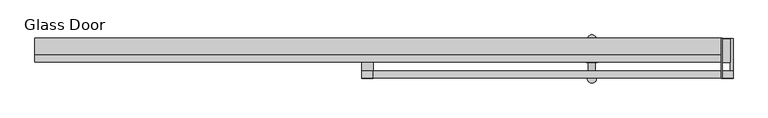
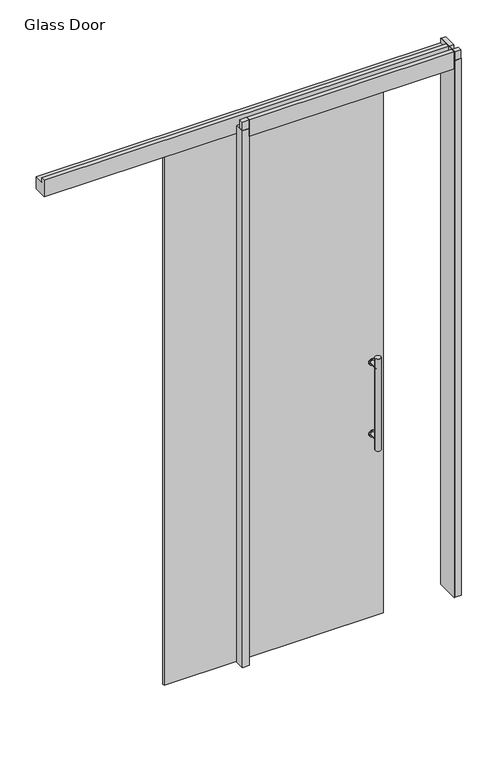
"""IFC4 building model written with IfcOpenShell, lengths in millimetres: plate geometry, Glass Door."""

from ifc_helpers import new_model, si_unit, point, frame, frame_2d, origin, origin_with_axes, place, context, project, spatial, polyline, circle_curve, trimmed, segment, composite_curve, outline, extrude, source, transform, mapped, element, save


def glass_door_ae0fdfda(model_context):
    return source(origin(), model_context, "Body", "SweptSolid", [
        extrude(outline(composite_curve([segment(trimmed(circle_curve(frame_2d((1267.7758628, 122.9502762)), 15.5007671), [point((1267.7758628, 107.449509))], [point((1267.7758628, 138.4510433))], False, "CARTESIAN"), True, "CONTINUOUS"), segment(trimmed(circle_curve(frame_2d((1267.7758628, 122.9502762)), 15.5007671), [point((1267.7758628, 138.4510433))], [point((1267.7758628, 107.449509))], False, "CARTESIAN"), True, "CONTINUOUS")], self_intersect=False)), frame((0.0, 11.6587122, 0.0), z_axis=(0.0, 1.0, 0.0), x_axis=(0.0, 0.0, 1.0)), (0.0, 0.0, 1.0), 3.556),
        extrude(outline(composite_curve([segment(trimmed(circle_curve(frame_2d((912.5206255, 122.9502762)), 15.5007671), [point((912.5206255, 107.449509))], [point((912.5206255, 138.4510433))], False, "CARTESIAN"), True, "CONTINUOUS"), segment(trimmed(circle_curve(frame_2d((912.5206255, 122.9502762)), 15.5007671), [point((912.5206255, 138.4510433))], [point((912.5206255, 107.449509))], False, "CARTESIAN"), True, "CONTINUOUS")], self_intersect=False)), frame((0.0, 11.6587122, 0.0), z_axis=(0.0, 1.0, 0.0), x_axis=(0.0, 0.0, 1.0)), (0.0, 0.0, 1.0), 3.556),
        extrude(outline(composite_curve([segment(trimmed(circle_curve(frame_2d((912.5206255, 122.9502762)), 9.4326721), [point((912.5206255, 113.5176041))], [point((912.5206255, 132.3829482))], False, "CARTESIAN"), True, "CONTINUOUS"), segment(trimmed(circle_curve(frame_2d((912.5206255, 122.9502762)), 9.4326721), [point((912.5206255, 132.3829482))], [point((912.5206255, 113.5176041))], False, "CARTESIAN"), True, "CONTINUOUS")], self_intersect=False)), frame((0.0, -32.7444259, 0.0), z_axis=(0.0, 1.0, 0.0), x_axis=(0.0, 0.0, 1.0)), (0.0, 0.0, 1.0), 44.4031381),
        extrude(outline(composite_curve([segment(trimmed(circle_curve(frame_2d((1267.7758628, 122.9502762)), 9.4326721), [point((1267.7758628, 113.5176041))], [point((1267.7758628, 132.3829482))], False, "CARTESIAN"), True, "CONTINUOUS"), segment(trimmed(circle_curve(frame_2d((1267.7758628, 122.9502762)), 9.4326721), [point((1267.7758628, 132.3829482))], [point((1267.7758628, 113.5176041))], False, "CARTESIAN"), True, "CONTINUOUS")], self_intersect=False)), frame((0.0, -32.7444259, 0.0), z_axis=(0.0, 1.0, 0.0), x_axis=(0.0, 0.0, 1.0)), (0.0, 0.0, 1.0), 44.4031381),
        extrude(outline(composite_curve([segment(trimmed(circle_curve(frame_2d((122.9502762, -32.7444259)), 12.7), [point((110.2502762, -32.7444259))], [point((135.6502762, -32.7444259))], False, "CARTESIAN"), True, "CONTINUOUS"), segment(trimmed(circle_curve(frame_2d((122.9502762, -32.7444259)), 12.7), [point((135.6502762, -32.7444259))], [point((110.2502762, -32.7444259))], False, "CARTESIAN"), True, "CONTINUOUS")], self_intersect=False)), frame((0.0, 0.0, 861.5482441), z_axis=(0.0, 0.0, 1.0), x_axis=(1.0, 0.0, 0.0)), (0.0, 0.0, 1.0), 457.2),
        extrude(outline(composite_curve([segment(trimmed(circle_curve(frame_2d((1267.7758628, 122.9502762)), 15.5007671), [point((1267.7758628, 107.449509))], [point((1267.7758628, 138.4510433))], False, "CARTESIAN"), True, "CONTINUOUS"), segment(trimmed(circle_curve(frame_2d((1267.7758628, 122.9502762)), 15.5007671), [point((1267.7758628, 138.4510433))], [point((1267.7758628, 107.449509))], False, "CARTESIAN"), True, "CONTINUOUS")], self_intersect=False)), frame((0.0, 27.9147122, 0.0), z_axis=(0.0, 1.0, 0.0), x_axis=(0.0, 0.0, 1.0)), (0.0, 0.0, 1.0), 3.556),
        extrude(outline(composite_curve([segment(trimmed(circle_curve(frame_2d((912.5206255, 122.9502762)), 15.5007671), [point((912.5206255, 107.449509))], [point((912.5206255, 138.4510433))], False, "CARTESIAN"), True, "CONTINUOUS"), segment(trimmed(circle_curve(frame_2d((912.5206255, 122.9502762)), 15.5007671), [point((912.5206255, 138.4510433))], [point((912.5206255, 107.449509))], False, "CARTESIAN"), True, "CONTINUOUS")], self_intersect=False)), frame((0.0, 27.9147122, 0.0), z_axis=(0.0, 1.0, 0.0), x_axis=(0.0, 0.0, 1.0)), (0.0, 0.0, 1.0), 3.556),
        extrude(outline(composite_curve([segment(trimmed(circle_curve(frame_2d((912.5206255, 122.9502762)), 9.4326721), [point((912.5206255, 113.5176041))], [point((912.5206255, 132.3829482))], False, "CARTESIAN"), True, "CONTINUOUS"), segment(trimmed(circle_curve(frame_2d((912.5206255, 122.9502762)), 9.4326721), [point((912.5206255, 132.3829482))], [point((912.5206255, 113.5176041))], False, "CARTESIAN"), True, "CONTINUOUS")], self_intersect=False)), frame((0.0, 31.4707122, 0.0), z_axis=(0.0, 1.0, 0.0), x_axis=(0.0, 0.0, 1.0)), (0.0, 0.0, 1.0), 44.4031381),
        extrude(outline(composite_curve([segment(trimmed(circle_curve(frame_2d((1267.7758628, 122.9502762)), 9.4326721), [point((1267.7758628, 113.5176041))], [point((1267.7758628, 132.3829482))], False, "CARTESIAN"), True, "CONTINUOUS"), segment(trimmed(circle_curve(frame_2d((1267.7758628, 122.9502762)), 9.4326721), [point((1267.7758628, 132.3829482))], [point((1267.7758628, 113.5176041))], False, "CARTESIAN"), True, "CONTINUOUS")], self_intersect=False)), frame((0.0, 31.4707122, 0.0), z_axis=(0.0, 1.0, 0.0), x_axis=(0.0, 0.0, 1.0)), (0.0, 0.0, 1.0), 44.4031381),
        extrude(outline(composite_curve([segment(trimmed(circle_curve(frame_2d((122.9502762, 75.8738503)), 12.7), [point((110.2502762, 75.8738503))], [point((135.6502762, 75.8738503))], False, "CARTESIAN"), True, "CONTINUOUS"), segment(trimmed(circle_curve(frame_2d((122.9502762, 75.8738503)), 12.7), [point((135.6502762, 75.8738503))], [point((110.2502762, 75.8738503))], False, "CARTESIAN"), True, "CONTINUOUS")], self_intersect=False)), frame((0.0, 0.0, 861.5482441), z_axis=(0.0, 0.0, 1.0), x_axis=(1.0, 0.0, 0.0)), (0.0, 0.0, 1.0), 457.2),
        extrude(outline(polyline([(481.3416694, -32.4102878), (481.3416694, 78.5748921), (483.3736694, 78.5748921), (483.3736694, -32.4102878), (481.3416694, -32.4102878)])), origin_with_axes(), (0.0, 0.0, 1.0), 2709.3182131),
        extrude(outline(polyline([(483.3736694, -31.9657855), (483.3736694, -11.7473709), (513.5806495, -11.7473709), (513.5806495, -31.9657855), (483.3736694, -31.9657855)])), frame((0.0, 0.0, 2665.984), z_axis=(0.0, 0.0, 1.0), x_axis=(1.0, 0.0, 0.0)), (0.0, 0.0, 1.0), 43.3342131),
        extrude(outline(polyline([(505.8336494, 11.7476378), (483.3736694, 11.7476378), (483.3736694, 76.5428917), (505.8336494, 76.5428917), (505.8336494, 11.7476378)])), frame((0.0, 0.0, 2665.984), z_axis=(0.0, 0.0, 1.0), x_axis=(1.0, 0.0, 0.0)), (0.0, 0.0, 1.0), 43.3342131),
        extrude(outline(polyline([(513.5806495, -32.4102878), (483.3736694, -32.4102878), (483.3736694, -30.3782748), (505.8336494, -30.3782748), (505.8336494, 76.5428917), (483.3736694, 76.5428917), (483.3736694, 78.5748921), (513.5806495, 78.5748921), (513.5806495, -32.4102878)])), origin_with_axes(), (0.0, 0.0, 1.0), 2665.984),
        extrude(outline(polyline([(-513.5806495, -32.4102878), (-513.5806495, 12.394152), (-481.3416694, 12.394152), (-481.3416694, -32.4102878), (-513.5806495, -32.4102878)])), origin_with_axes(), (0.0, 0.0, 1.0), 2665.984),
        extrude(outline(polyline([(481.3416694, -31.9657855), (-481.3416694, -31.9657855), (-481.3416694, -11.7473709), (481.3416694, -11.7473709), (481.3416694, -31.9657855)])), frame((0.0, 0.0, 2626.7682131), z_axis=(0.0, 0.0, 1.0), x_axis=(1.0, 0.0, 0.0)), (0.0, 0.0, 1.0), 82.55),
        extrude(outline(polyline([(-513.5806495, -31.9657855), (-513.5806495, -11.7473709), (-481.3416694, -11.7473709), (-481.3416694, -31.9657855), (-513.5806495, -31.9657855)])), frame((0.0, 0.0, 2665.984), z_axis=(0.0, 0.0, 1.0), x_axis=(1.0, 0.0, 0.0)), (0.0, 0.0, 1.0), 43.3342131),
        extrude(outline(polyline([(-665.875842, 36.1536677), (-665.875842, 27.9147122), (-717.0076995, 27.9147122), (-717.0076995, 36.1536677), (-665.875842, 36.1536677)])), frame((0.0, 0.0, 2581.9099031), z_axis=(0.0, 0.0, 1.0), x_axis=(1.0, 0.0, 0.0)), (0.0, 0.0, 1.0), 44.85831),
        extrude(outline(polyline([(65.0127702, 36.1536677), (65.0127702, 27.9147122), (14.2128187, 27.9147122), (14.2128187, 36.1536677), (65.0127702, 36.1536677)])), frame((0.0, 0.0, 2581.9099031), z_axis=(0.0, 0.0, 1.0), x_axis=(1.0, 0.0, 0.0)), (0.0, 0.0, 1.0), 44.85831),
        extrude(outline(polyline([(32.9183918, 2709.3182131), (32.9183918, 2688.4122202), (78.5748921, 2688.4122202), (78.5748921, 2626.7682131), (12.7000057, 2626.7682131), (12.7000057, 2709.3182131), (32.9183918, 2709.3182131)])), frame((-1417.969807, 0.0, 0.0), z_axis=(1.0, 0.0, 0.0), x_axis=(0.0, 1.0, 0.0)), (0.0, 0.0, 1.0), 1899.3114764),
        extrude(outline(polyline([(176.8490762, 27.9147122), (176.8490762, 17.7868078), (-852.2610405, 17.7868078), (-852.2610405, 27.9147122), (176.8490762, 27.9147122)])), origin_with_axes(), (0.0, 0.0, 1.0), 2626.7682131),
    ])


if __name__ == "__main__":
    model = new_model("IFC4")
    model_context = context("Model", 3, world=origin())
    ifc_project = project(units=[si_unit("LENGTHUNIT", "METRE", prefix="MILLI")], contexts=[model_context])
    site = spatial("IfcSite", under=ifc_project)
    building = spatial("IfcBuilding", under=site)
    placement = place(None, origin())
    glass_door_shape = glass_door_ae0fdfda(model_context)
    element("IfcPlate", 1, ObjectType="Glass Door", at=placement, inside=building, context=model_context, shape_type="MappedRepresentation", body=[
        mapped(glass_door_shape, transform((0.0, 0.0, 0.0), x_axis=(1.0, 0.0, 0.0), y_axis=(0.0, 1.0, 0.0), z_axis=(0.0, 0.0, 1.0))),
    ])
    save(model, "model.ifc")
